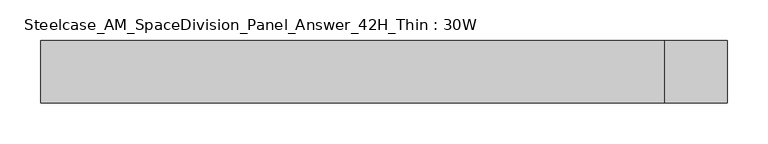
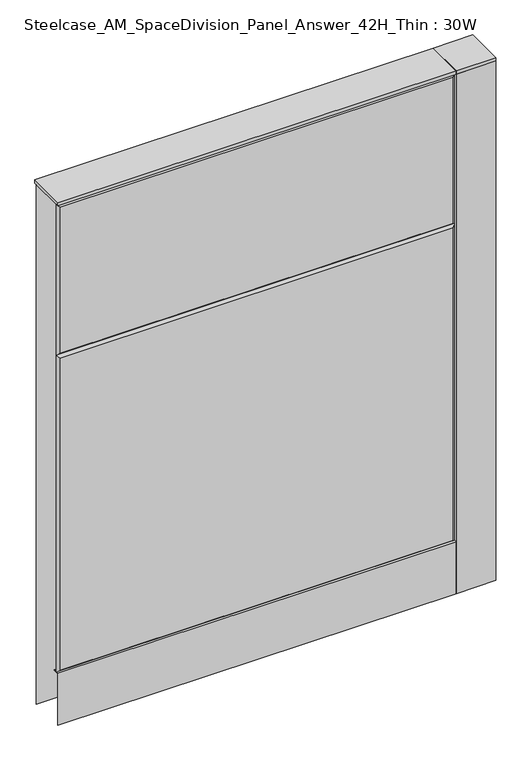
"""IFC4 building model written with IfcOpenShell, lengths in millimetres: furniture geometry, Steelcase_AM_SpaceDivision_Panel_Answer_42H_Thin : 30W."""

from ifc_helpers import new_model, si_unit, point, frame, frame_2d, origin, place, context, project, spatial, polyline, circle_curve, trimmed, segment, composite_curve, outline, extrude, faceted_brep, source, transform, mapped, element, save


def steelcase_am_spacedivision_panel_answer_42h_thin_30w_f17c50de(model_context):
    return source(origin(), model_context, "Body", "SolidModel", [
        extrude(outline(polyline([(-37.3075215, 119.8575157), (-37.3075215, 15.494), (-38.1000194, 15.494), (-38.1000194, 120.65), (-25.4000011, 120.65), (-25.4000011, 119.8575157), (-37.3075215, 119.8575157)])), frame((-381.0, 0.0, 0.0), z_axis=(1.0, 0.0, 0.0), x_axis=(0.0, 1.0, 0.0)), (0.0, 0.0, 1.0), 762.0),
        extrude(outline(composite_curve([segment(trimmed(circle_curve(frame_2d((419.1, -1.94e-05)), 5.08), [point((424.18, -1.94e-05))], [point((414.02, -1.94e-05))], False, "CARTESIAN"), True, "CONTINUOUS"), segment(trimmed(circle_curve(frame_2d((419.1, -1.94e-05)), 5.08), [point((414.02, -1.94e-05))], [point((424.18, -1.94e-05))], False, "CARTESIAN"), True, "CONTINUOUS")], self_intersect=False)), frame((0.0, 0.0, 5.0799671), z_axis=(0.0, 0.0, 1.0), x_axis=(1.0, 0.0, 0.0)), (0.0, 0.0, 1.0), 10.414),
        extrude(outline(composite_curve([segment(trimmed(circle_curve(frame_2d((419.1, -1.94e-05)), 15.24), [point((434.34, -1.94e-05))], [point((403.86, -1.94e-05))], False, "CARTESIAN"), True, "CONTINUOUS"), segment(trimmed(circle_curve(frame_2d((419.1, -1.94e-05)), 15.24), [point((403.86, -1.94e-05))], [point((434.34, -1.94e-05))], False, "CARTESIAN"), True, "CONTINUOUS")], self_intersect=False)), frame((0.0, 0.0, -3.29e-05), z_axis=(0.0, 0.0, 1.0), x_axis=(1.0, 0.0, 0.0)), (0.0, 0.0, 1.0), 5.08),
        extrude(outline(polyline([(381.0, -38.1), (381.0, 38.1), (457.2, 38.1), (457.2, -38.1), (381.0, -38.1)])), frame((0.0, 0.0, 1066.7999671), z_axis=(0.0, 0.0, 1.0), x_axis=(1.0, 0.0, 0.0)), (0.0, 0.0, 1.0), 6.35),
        extrude(outline(polyline([(457.2, 38.1), (457.2, -38.1), (381.0, -38.1), (381.0, 38.1), (457.2, 38.1)])), frame((0.0, 0.0, 15.4939671), z_axis=(0.0, 0.0, 1.0), x_axis=(1.0, 0.0, 0.0)), (0.0, 0.0, 1.0), 1051.306),
        faceted_brep([(-381.0, 33.2700541, 1066.8), (-381.0, 33.2700541, 15.494), (381.0, 33.2700541, 15.494), (381.0, 33.2700541, 1066.8), (376.174, 38.0960541, 1061.974), (-376.174, 38.0960541, 1061.974), (376.174, 38.0960541, 20.32), (-376.174, 38.0960541, 20.32)], [[[0, 1, 2, 3]], [[0, 3, 4, 5]], [[5, 4, 6, 7]], [[3, 2, 6, 4]], [[2, 1, 7, 6]], [[1, 0, 5, 7]]]),
        faceted_brep([(376.174, -38.0960541, 1061.974), (-376.174, -38.0960541, 1061.974), (-376.174, -38.0960541, 766.826), (376.174, -38.0960541, 766.826), (381.0, -33.2700541, 1066.8), (381.0, -33.2700541, 762.0), (-381.0, -33.2700541, 762.0), (-381.0, -33.2700541, 1066.8)], [[[0, 1, 2, 3]], [[4, 5, 6, 7]], [[4, 7, 1, 0]], [[7, 6, 2, 1]], [[6, 5, 3, 2]], [[5, 4, 0, 3]]]),
        faceted_brep([(376.174, -38.0960541, 757.174), (-376.174, -38.0960541, 757.174), (-376.174, -38.0960541, 125.476), (376.174, -38.0960541, 125.476), (381.0, -33.2700541, 762.0), (381.0, -33.2700541, 120.65), (-381.0, -33.2700541, 120.65), (-381.0, -33.2700541, 762.0)], [[[0, 1, 2, 3]], [[4, 5, 6, 7]], [[4, 7, 1, 0]], [[7, 6, 2, 1]], [[6, 5, 3, 2]], [[5, 4, 0, 3]]]),
        extrude(outline(polyline([(381.0, 38.1000194), (381.0, -38.1000194), (-381.0, -38.1000194), (-381.0, 38.1000194), (381.0, 38.1000194)])), frame((0.0, 0.0, 1066.8), z_axis=(0.0, 0.0, 1.0), x_axis=(1.0, 0.0, 0.0)), (0.0, 0.0, 1.0), 6.35),
    ])


if __name__ == "__main__":
    model = new_model("IFC4")
    model_context = context("Model", 3, world=origin())
    ifc_project = project(units=[si_unit("LENGTHUNIT", "METRE", prefix="MILLI")], contexts=[model_context])
    site = spatial("IfcSite", under=ifc_project)
    building = spatial("IfcBuilding", under=site)
    placement = place(None, origin())
    steelcase_am_spacedivision_panel_answer_42h_thin_30w_shape = steelcase_am_spacedivision_panel_answer_42h_thin_30w_f17c50de(model_context)
    element("IfcFurniture", 1, ObjectType="Steelcase_AM_SpaceDivision_Panel_Answer_42H_Thin : 30W", at=placement, inside=building, context=model_context, shape_type="MappedRepresentation", body=[
        mapped(steelcase_am_spacedivision_panel_answer_42h_thin_30w_shape, transform((0.0, 0.0, 0.0), x_axis=(1.0, 0.0, 0.0), y_axis=(0.0, 1.0, 0.0), z_axis=(0.0, 0.0, 1.0))),
    ])
    save(model, "model.ifc")
